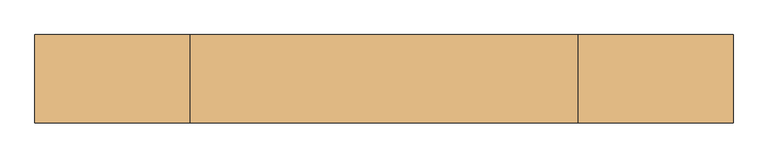
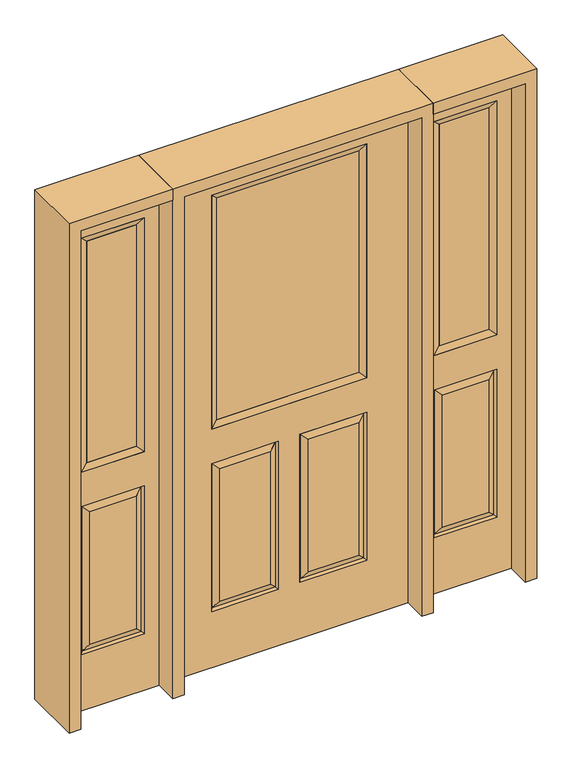
"""IFC4 building model written with IfcOpenShell, lengths in millimetres: door geometry."""

from ifc_helpers import new_model, si_unit, frame, origin, place, context, project, spatial, polyline, outline, extrude, faceted_brep, source, transform, mapped, element, save


def door_606b78e1(model_context):
    return source(origin(), model_context, "Body", "SolidModel", [
        faceted_brep([(-457.2, -22.225, 0.0), (457.2, -22.225, 0.0), (457.2, -22.225, 2032.0), (-457.2, -22.225, 2032.0), (-299.339, -22.225, 971.55), (-299.339, -22.225, 1925.574), (299.339, -22.225, 1925.574), (299.339, -22.225, 971.55), (-299.339, -22.225, 831.85), (-41.275, -22.225, 831.85), (-41.275, -22.225, 228.6), (-299.339, -22.225, 228.6), (41.275, -22.225, 831.85), (299.339, -22.225, 831.85), (299.339, -22.225, 228.6), (41.275, -22.225, 228.6), (-73.025, -22.225, 800.1), (-267.589, -22.225, 800.1), (-267.589, -22.225, 260.35), (-73.025, -22.225, 260.35), (267.589, -22.225, 800.1), (73.025, -22.225, 800.1), (73.025, -22.225, 260.35), (267.589, -22.225, 260.35), (-457.2, 22.225, 0.0), (457.2, 22.225, 0.0), (457.2, 22.225, 2032.0), (-457.2, 22.225, 2032.0), (-299.339, 22.225, 971.55), (-299.339, 22.225, 1925.574), (299.339, 22.225, 1925.574), (299.339, 22.225, 971.55), (-41.275, 22.225, 831.85), (-299.339, 22.225, 831.85), (-299.339, 22.225, 228.6), (-41.275, 22.225, 228.6), (299.339, 22.225, 831.85), (41.275, 22.225, 831.85), (41.275, 22.225, 228.6), (299.339, 22.225, 228.6), (-267.589, 22.225, 800.1), (-73.025, 22.225, 800.1), (-73.025, 22.225, 260.35), (-267.589, 22.225, 260.35), (73.025, 22.225, 800.1), (267.589, 22.225, 800.1), (267.589, 22.225, 260.35), (73.025, 22.225, 260.35), (-48.41875, -12.7449236, 824.70625), (-292.19525, -12.7449236, 824.70625), (-292.19525, -12.7449236, 235.74375), (-48.41875, -12.7449236, 235.74375), (292.19525, -12.7449236, 824.70625), (48.41875, -12.7449236, 824.70625), (48.41875, -12.7449236, 235.74375), (292.19525, -12.7449236, 235.74375), (-292.19525, 12.7449236, 824.70625), (-48.41875, 12.7449236, 824.70625), (-48.41875, 12.7449236, 235.74375), (-292.19525, 12.7449236, 235.74375), (48.41875, 12.7449236, 824.70625), (292.19525, 12.7449236, 824.70625), (292.19525, 12.7449236, 235.74375), (48.41875, 12.7449236, 235.74375)], [[[0, 1, 2, 3], [4, 5, 6, 7], [8, 9, 10, 11], [12, 13, 14, 15]], [[16, 17, 18, 19]], [[20, 21, 22, 23]], [[1, 0, 24, 25]], [[2, 1, 25, 26]], [[0, 3, 27, 24]], [[5, 4, 28, 29]], [[7, 6, 30, 31]], [[4, 7, 31, 28]], [[24, 27, 26, 25], [28, 31, 30, 29], [32, 33, 34, 35], [36, 37, 38, 39]], [[40, 41, 42, 43]], [[44, 45, 46, 47]], [[3, 2, 26, 27]], [[6, 5, 29, 30]], [[16, 48, 49, 17]], [[17, 49, 50, 18]], [[51, 19, 18, 50]], [[48, 16, 19, 51]], [[49, 48, 9, 8]], [[9, 48, 51, 10]], [[10, 51, 50, 11]], [[49, 8, 11, 50]], [[52, 53, 21, 20]], [[21, 53, 54, 22]], [[22, 54, 55, 23]], [[52, 20, 23, 55]], [[53, 52, 13, 12]], [[13, 52, 55, 14]], [[54, 15, 14, 55]], [[53, 12, 15, 54]], [[56, 57, 41, 40]], [[41, 57, 58, 42]], [[42, 58, 59, 43]], [[56, 40, 43, 59]], [[57, 56, 33, 32]], [[33, 56, 59, 34]], [[58, 35, 34, 59]], [[57, 32, 35, 58]], [[44, 60, 61, 45]], [[45, 61, 62, 46]], [[63, 47, 46, 62]], [[60, 44, 47, 63]], [[61, 60, 37, 36]], [[37, 60, 63, 38]], [[38, 63, 62, 39]], [[61, 36, 39, 62]]]),
        extrude(outline(polyline([(273.939, -12.7), (-273.939, -12.7), (-273.939, 12.7), (273.939, 12.7), (273.939, -12.7)])), frame((0.0, 0.0, 996.95), z_axis=(0.0, 0.0, 1.0), x_axis=(1.0, 0.0, 0.0)), (0.0, 0.0, 1.0), 903.224),
        faceted_brep([(-299.339, -22.225, 1925.574), (-299.339, 22.225, 1925.574), (-299.339, 22.225, 971.55), (-299.339, -22.225, 971.55), (299.339, 22.225, 971.55), (299.339, -22.225, 971.55), (-273.939, 12.7, 996.95), (273.939, 12.7, 996.95), (299.339, 22.225, 1925.574), (299.339, -22.225, 1925.574), (-273.939, -12.7, 996.95), (273.939, -12.7, 996.95), (-273.939, -12.7, 1900.174), (273.939, -12.7, 1900.174), (-273.939, 12.7, 1900.174), (273.939, 12.7, 1900.174)], [[[0, 1, 2, 3]], [[3, 2, 4, 5]], [[2, 6, 7, 4]], [[5, 4, 8, 9]], [[10, 3, 5, 11]], [[12, 0, 3, 10]], [[11, 5, 9, 13]], [[6, 10, 11, 7]], [[14, 12, 10, 6]], [[7, 11, 13, 15]], [[1, 14, 6, 2]], [[4, 7, 15, 8]], [[9, 8, 1, 0]], [[13, 9, 0, 12]], [[15, 13, 12, 14]], [[8, 15, 14, 1]]]),
        faceted_brep([(857.25, -22.225, 0.0), (857.25, -22.225, 2032.0), (501.65, -22.225, 2032.0), (501.65, -22.225, 0.0), (558.038, -22.225, 1925.574), (800.862, -22.225, 1925.574), (800.862, -22.225, 971.55), (558.038, -22.225, 971.55), (558.038, -22.225, 228.6), (558.038, -22.225, 831.85), (800.862, -22.225, 831.85), (800.862, -22.225, 228.6), (768.9559872, -22.225, 260.5060128), (768.9559872, -22.225, 799.9439872), (589.9440128, -22.225, 799.9439872), (589.9440128, -22.225, 260.5060128), (501.65, 22.225, 0.0), (857.25, 22.225, 0.0), (501.65, 22.225, 2032.0), (857.25, 22.225, 2032.0), (558.038, 22.225, 971.55), (558.038, 22.225, 1925.574), (800.862, 22.225, 971.55), (800.862, 22.225, 1925.574), (800.862, 22.225, 228.6), (800.862, 22.225, 831.85), (558.038, 22.225, 831.85), (558.038, 22.225, 228.6), (589.9440128, 22.225, 260.5060128), (589.9440128, 22.225, 799.9439872), (768.9559872, 22.225, 799.9439872), (768.9559872, 22.225, 260.5060128), (793.9419933, -13.0418409, 235.5200067), (564.9580067, -13.0418409, 235.5200067), (793.9419933, -13.0418409, 824.9299933), (564.9580067, -13.0418409, 824.9299933), (793.9419933, 13.0418409, 235.5200067), (564.9580067, 13.0418409, 235.5200067), (564.9580067, 13.0418409, 824.9299933), (793.9419933, 13.0418409, 824.9299933)], [[[0, 1, 2, 3], [4, 5, 6, 7], [8, 9, 10, 11]], [[12, 13, 14, 15]], [[3, 16, 17, 0]], [[2, 18, 16, 3]], [[0, 17, 19, 1]], [[7, 20, 21, 4]], [[6, 22, 20, 7]], [[5, 23, 22, 6]], [[17, 16, 18, 19], [21, 20, 22, 23], [24, 25, 26, 27]], [[28, 29, 30, 31]], [[1, 19, 18, 2]], [[4, 21, 23, 5]], [[8, 11, 32, 33]], [[11, 10, 34, 32]], [[35, 34, 10, 9]], [[33, 35, 9, 8]], [[32, 12, 15, 33]], [[15, 14, 35, 33]], [[14, 13, 34, 35]], [[32, 34, 13, 12]], [[36, 24, 27, 37]], [[27, 26, 38, 37]], [[26, 25, 39, 38]], [[36, 39, 25, 24]], [[37, 28, 31, 36]], [[31, 30, 39, 36]], [[38, 39, 30, 29]], [[37, 38, 29, 28]]]),
        extrude(outline(polyline([(583.438, -12.7), (583.438, 12.7), (775.462, 12.7), (775.462, -12.7), (583.438, -12.7)])), frame((0.0, 0.0, 996.95), z_axis=(0.0, 0.0, 1.0), x_axis=(1.0, 0.0, 0.0)), (0.0, 0.0, 1.0), 903.224),
        faceted_brep([(800.862, -22.225, 1925.574), (800.862, -22.225, 971.55), (800.862, 22.225, 971.55), (800.862, 22.225, 1925.574), (558.038, -22.225, 971.55), (558.038, 22.225, 971.55), (583.438, 12.7, 996.95), (775.462, 12.7, 996.95), (558.038, -22.225, 1925.574), (558.038, 22.225, 1925.574), (775.462, -12.7, 996.95), (583.438, -12.7, 996.95), (775.462, -12.7, 1900.174), (583.438, -12.7, 1900.174), (775.462, 12.7, 1900.174), (583.438, 12.7, 1900.174)], [[[0, 1, 2, 3]], [[1, 4, 5, 2]], [[2, 5, 6, 7]], [[4, 8, 9, 5]], [[10, 11, 4, 1]], [[12, 10, 1, 0]], [[11, 13, 8, 4]], [[7, 6, 11, 10]], [[14, 7, 10, 12]], [[6, 15, 13, 11]], [[3, 2, 7, 14]], [[5, 9, 15, 6]], [[8, 0, 3, 9]], [[13, 12, 0, 8]], [[15, 14, 12, 13]], [[9, 3, 14, 15]]]),
        faceted_brep([(-857.25, -22.225, 0.0), (-501.65, -22.225, 0.0), (-501.65, -22.225, 2032.0), (-857.25, -22.225, 2032.0), (-558.038, -22.225, 1925.574), (-558.038, -22.225, 971.55), (-800.862, -22.225, 971.55), (-800.862, -22.225, 1925.574), (-558.038, -22.225, 228.6), (-800.862, -22.225, 228.6), (-800.862, -22.225, 831.85), (-558.038, -22.225, 831.85), (-768.9559872, -22.225, 260.5060128), (-589.9440128, -22.225, 260.5060128), (-589.9440128, -22.225, 799.9439872), (-768.9559872, -22.225, 799.9439872), (-857.25, 22.225, 0.0), (-501.65, 22.225, 0.0), (-501.65, 22.225, 2032.0), (-857.25, 22.225, 2032.0), (-558.038, 22.225, 1925.574), (-558.038, 22.225, 971.55), (-800.862, 22.225, 971.55), (-800.862, 22.225, 1925.574), (-800.862, 22.225, 228.6), (-558.038, 22.225, 228.6), (-558.038, 22.225, 831.85), (-800.862, 22.225, 831.85), (-589.9440128, 22.225, 260.5060128), (-768.9559872, 22.225, 260.5060128), (-768.9559872, 22.225, 799.9439872), (-589.9440128, 22.225, 799.9439872), (-564.9580067, -13.0418409, 235.5200067), (-793.9419933, -13.0418409, 235.5200067), (-793.9419933, -13.0418409, 824.9299933), (-564.9580067, -13.0418409, 824.9299933), (-793.9419933, 13.0418409, 235.5200067), (-564.9580067, 13.0418409, 235.5200067), (-564.9580067, 13.0418409, 824.9299933), (-793.9419933, 13.0418409, 824.9299933)], [[[0, 1, 2, 3], [4, 5, 6, 7], [8, 9, 10, 11]], [[12, 13, 14, 15]], [[1, 0, 16, 17]], [[2, 1, 17, 18]], [[0, 3, 19, 16]], [[5, 4, 20, 21]], [[6, 5, 21, 22]], [[7, 6, 22, 23]], [[16, 19, 18, 17], [20, 23, 22, 21], [24, 25, 26, 27]], [[28, 29, 30, 31]], [[3, 2, 18, 19]], [[4, 7, 23, 20]], [[8, 32, 33, 9]], [[9, 33, 34, 10]], [[35, 11, 10, 34]], [[32, 8, 11, 35]], [[33, 32, 13, 12]], [[13, 32, 35, 14]], [[14, 35, 34, 15]], [[33, 12, 15, 34]], [[36, 37, 25, 24]], [[25, 37, 38, 26]], [[26, 38, 39, 27]], [[36, 24, 27, 39]], [[37, 36, 29, 28]], [[29, 36, 39, 30]], [[38, 31, 30, 39]], [[37, 28, 31, 38]]]),
        extrude(outline(polyline([(-583.438, -12.7), (-775.462, -12.7), (-775.462, 12.7), (-583.438, 12.7), (-583.438, -12.7)])), frame((0.0, 0.0, 996.95), z_axis=(0.0, 0.0, 1.0), x_axis=(1.0, 0.0, 0.0)), (0.0, 0.0, 1.0), 903.224),
        faceted_brep([(-800.862, -22.225, 1925.574), (-800.862, 22.225, 1925.574), (-800.862, 22.225, 971.55), (-800.862, -22.225, 971.55), (-558.038, 22.225, 971.55), (-558.038, -22.225, 971.55), (-775.462, 12.7, 996.95), (-583.438, 12.7, 996.95), (-558.038, 22.225, 1925.574), (-558.038, -22.225, 1925.574), (-775.462, -12.7, 996.95), (-583.438, -12.7, 996.95), (-775.462, -12.7, 1900.174), (-583.438, -12.7, 1900.174), (-775.462, 12.7, 1900.174), (-583.438, 12.7, 1900.174)], [[[0, 1, 2, 3]], [[3, 2, 4, 5]], [[2, 6, 7, 4]], [[5, 4, 8, 9]], [[10, 3, 5, 11]], [[12, 0, 3, 10]], [[11, 5, 9, 13]], [[6, 10, 11, 7]], [[14, 12, 10, 6]], [[7, 11, 13, 15]], [[1, 14, 6, 2]], [[4, 7, 15, 8]], [[9, 8, 1, 0]], [[13, 9, 0, 12]], [[15, 13, 12, 14]], [[8, 15, 14, 1]]]),
        extrude(outline(polyline([(2032.0, -501.65), (2076.45, -501.65), (2076.45, -901.7), (0.0, -901.7), (0.0, -857.25), (2032.0, -857.25), (2032.0, -501.65)])), frame((0.0, -114.3, 0.0), z_axis=(0.0, 1.0, 0.0), x_axis=(0.0, 0.0, 1.0)), (0.0, 0.0, 1.0), 228.6),
        extrude(outline(polyline([(2076.45, 501.65), (2032.0, 501.65), (2032.0, 857.25), (0.0, 857.25), (0.0, 901.7), (2076.45, 901.7), (2076.45, 501.65)])), frame((0.0, -114.3, 0.0), z_axis=(0.0, 1.0, 0.0), x_axis=(0.0, 0.0, 1.0)), (0.0, 0.0, 1.0), 228.6),
        extrude(outline(polyline([(0.0, -501.65), (0.0, -457.2), (2032.0, -457.2), (2032.0, 457.2), (0.0, 457.2), (0.0, 501.65), (2076.45, 501.65), (2076.45, -501.65), (0.0, -501.65)])), frame((0.0, -114.3, 0.0), z_axis=(0.0, 1.0, 0.0), x_axis=(0.0, 0.0, 1.0)), (0.0, 0.0, 1.0), 228.6),
    ])


if __name__ == "__main__":
    model = new_model("IFC4")
    model_context = context("Model", 3, world=origin())
    ifc_project = project(units=[si_unit("LENGTHUNIT", "METRE", prefix="MILLI")], contexts=[model_context])
    site = spatial("IfcSite", under=ifc_project)
    building = spatial("IfcBuilding", under=site)
    placement = place(None, origin())
    door_shape = door_606b78e1(model_context)
    element("IfcDoor", 1, at=placement, inside=building, context=model_context, shape_type="MappedRepresentation", body=[
        mapped(door_shape, transform((0.0, 0.0, 0.0), x_axis=(1.0, 0.0, 0.0), y_axis=(0.0, 1.0, 0.0), z_axis=(0.0, 0.0, 1.0))),
    ])
    save(model, "model.ifc")
